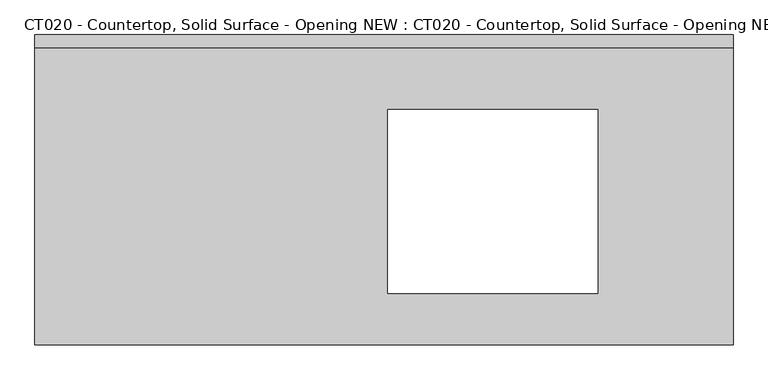
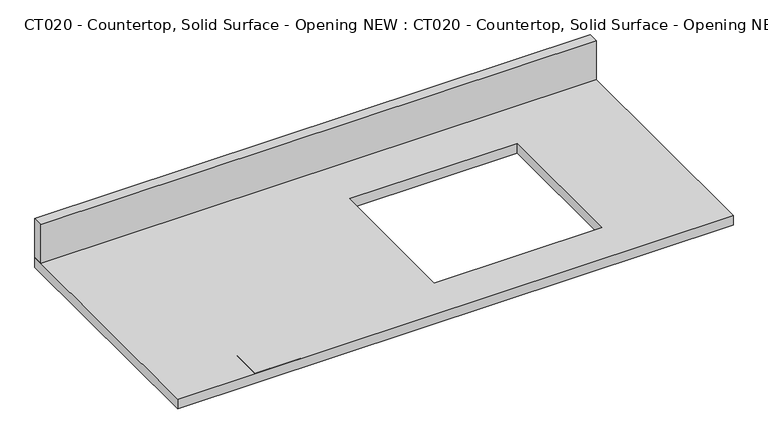
"""IFC4 building model written with IfcOpenShell, lengths in millimetres: proxy geometry, CT020 - Countertop, Solid Surface - Opening NEW : CT020 - Countertop, Solid Surface - Opening NEW."""

from ifc_helpers import new_model, si_unit, frame, origin, origin_with_axes, place, context, project, spatial, polyline, outline, extrude, source, transform, mapped, element, save


def ct020_countertop_solid_surface_opening_new_ct020_countertop_2947815a(model_context):
    return source(origin(), model_context, "Body", "SweptSolid", [
        extrude(outline(polyline([(1027.6222788, 304.8), (1027.6222788, -304.8), (-342.9, -304.8), (-342.9, 304.8), (1027.6222788, 304.8)]), holes=[polyline([(762.0, 158.3554502), (349.25, 158.3554502), (349.25, -203.2), (762.0, -203.2), (762.0, 158.3554502)])]), origin_with_axes(), (0.0, 0.0, 1.0), 25.4),
        extrude(outline(polyline([(-342.9, 279.4), (-342.9, 304.8), (1027.6222788, 304.8), (1027.6222788, 279.4), (-342.9, 279.4)])), frame((0.0, 0.0, 25.4), z_axis=(0.0, 0.0, 1.0), x_axis=(1.0, 0.0, 0.0)), (0.0, 0.0, 1.0), 101.6),
        extrude(outline(polyline([(-152.4, 304.8), (152.4, 304.8), (152.4, -304.8), (-152.4, -304.8), (-152.4, 0.0), (-152.4, 304.8)])), origin_with_axes(), (0.0, 0.0, 1.0), 25.4),
    ])


if __name__ == "__main__":
    model = new_model("IFC4")
    model_context = context("Model", 3, world=origin())
    ifc_project = project(units=[si_unit("LENGTHUNIT", "METRE", prefix="MILLI")], contexts=[model_context])
    site = spatial("IfcSite", under=ifc_project)
    building = spatial("IfcBuilding", under=site)
    placement = place(None, origin())
    ct020_countertop_solid_surface_opening_new_ct020_countertop_shape = ct020_countertop_solid_surface_opening_new_ct020_countertop_2947815a(model_context)
    element("IfcBuildingElementProxy", 1, Name="CT020 - Countertop, Solid Surface - Opening NEW : CT020 - Countertop, Solid Surface - Opening NEW", ObjectType="CT020 - Countertop, Solid Surface - Opening NEW : CT020 - Countertop, Solid Surface - Opening NEW", at=placement, inside=building, context=model_context, shape_type="MappedRepresentation", body=[
        mapped(ct020_countertop_solid_surface_opening_new_ct020_countertop_shape, transform((0.0, 0.0, 0.0), x_axis=(1.0, 0.0, 0.0), y_axis=(0.0, 1.0, 0.0), z_axis=(0.0, 0.0, 1.0))),
    ])
    save(model, "model.ifc")
